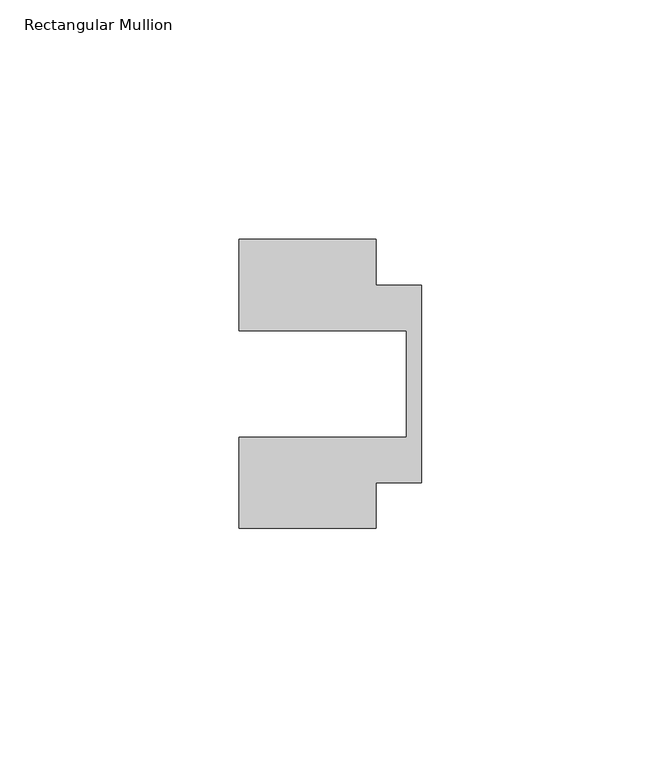
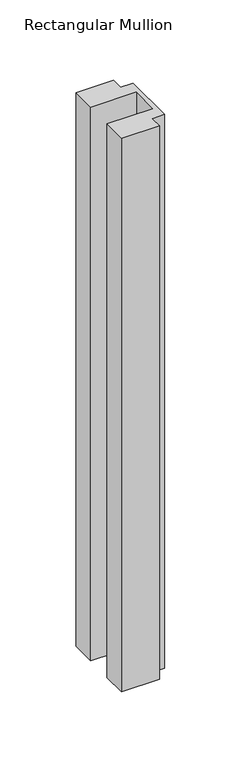
"""IFC4 building model written with IfcOpenShell, lengths in millimetres: member geometry, Rectangular Mullion."""

from ifc_helpers import new_model, si_unit, frame, origin, place, context, project, spatial, polyline, outline, extrude, source, transform, mapped, element, save


def rectangular_mullion_87a60d1b(model_context):
    return source(origin(), model_context, "Body", "SweptSolid", [
        extrude(outline(polyline([(-38.1, 11.1125), (-38.1, 30.1625), (-9.525, 30.1625), (-9.525, 20.6375), (0.0, 20.6375), (0.0, -20.6375), (-9.525, -20.6375), (-9.525, -30.1625), (-38.1, -30.1625), (-38.1, -11.1125), (-3.175, -11.1125), (-3.175, 11.1125), (-38.1, 11.1125)])), frame((0.0, 0.0, -444.5), z_axis=(0.0, 0.0, 1.0), x_axis=(1.0, 0.0, 0.0)), (0.0, 0.0, 1.0), 444.5),
    ])


if __name__ == "__main__":
    model = new_model("IFC4")
    model_context = context("Model", 3, world=origin())
    ifc_project = project(units=[si_unit("LENGTHUNIT", "METRE", prefix="MILLI")], contexts=[model_context])
    site = spatial("IfcSite", under=ifc_project)
    building = spatial("IfcBuilding", under=site)
    placement = place(None, origin())
    rectangular_mullion_shape = rectangular_mullion_87a60d1b(model_context)
    element("IfcMember", 1, ObjectType="Rectangular Mullion", at=placement, inside=building, context=model_context, shape_type="MappedRepresentation", body=[
        mapped(rectangular_mullion_shape, transform((0.0, 0.0, 0.0), x_axis=(1.0, 0.0, 0.0), y_axis=(0.0, 1.0, 0.0), z_axis=(0.0, 0.0, 1.0))),
    ])
    save(model, "model.ifc")
